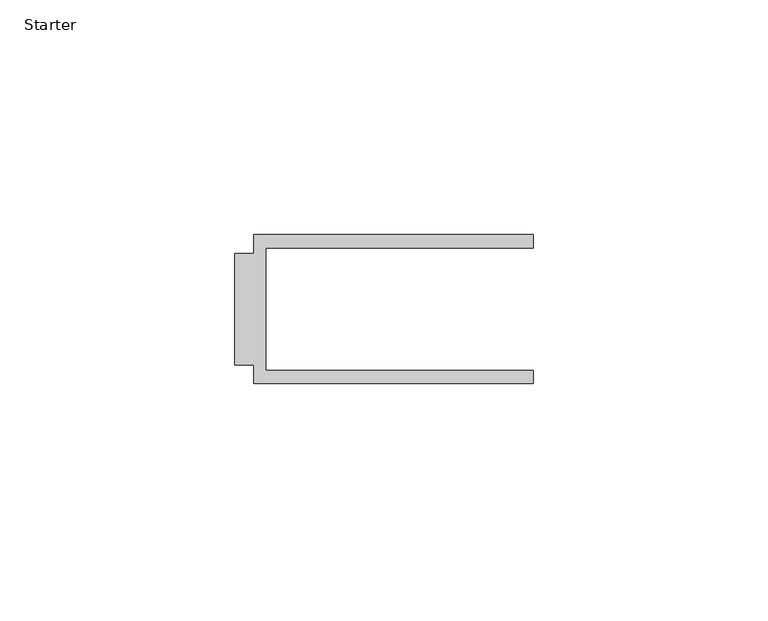
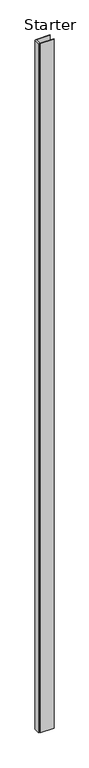
"""IFC4 building model written with IfcOpenShell, lengths in millimetres: furniture geometry, Starter."""

from ifc_helpers import new_model, si_unit, origin, origin_with_axes, place, context, project, spatial, polyline, outline, extrude, source, transform, mapped, element, save


def starter_e6793413(model_context):
    return source(origin(), model_context, "Body", "SweptSolid", [
        extrude(outline(polyline([(33.9771533, 31.376805), (93.4771531, 31.376805), (93.4771531, 28.5768064), (36.5771534, 28.5768064), (36.5771534, 2.4268037), (93.4771531, 2.4268037), (93.4771531, -0.373195), (33.9771533, -0.373195), (33.9771533, 3.6268038), (29.9771531, 3.6268038), (29.9771531, 27.3768063), (33.9771533, 27.3768063), (33.9771533, 31.376805)])), origin_with_axes(), (0.0, 0.0, 1.0), 3048.0),
    ])


if __name__ == "__main__":
    model = new_model("IFC4")
    model_context = context("Model", 3, world=origin())
    ifc_project = project(units=[si_unit("LENGTHUNIT", "METRE", prefix="MILLI")], contexts=[model_context])
    site = spatial("IfcSite", under=ifc_project)
    building = spatial("IfcBuilding", under=site)
    placement = place(None, origin())
    starter_shape = starter_e6793413(model_context)
    element("IfcFurniture", 1, ObjectType="Starter", at=placement, inside=building, context=model_context, shape_type="MappedRepresentation", body=[
        mapped(starter_shape, transform((0.0, 0.0, 0.0), x_axis=(1.0, 0.0, 0.0), y_axis=(0.0, 1.0, 0.0), z_axis=(0.0, 0.0, 1.0))),
    ])
    save(model, "model.ifc")
